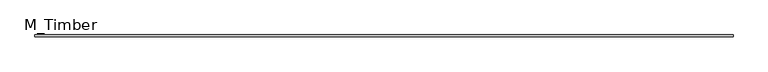
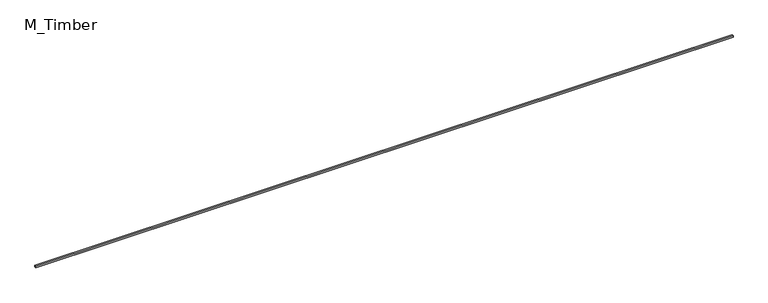
"""IFC4 building model written with IfcOpenShell, lengths in millimetres: beam geometry, M_Timber."""

from ifc_helpers import new_model, si_unit, frame, origin, place, context, project, spatial, polyline, outline, extrude, source, transform, mapped, element, save


def m_timber_b71d6e80(model_context):
    return source(origin(), model_context, "Body", "SweptSolid", [
        extrude(outline(polyline([(8228.0018795, 20.0), (8228.0018795, -20.0), (-8228.0018795, -20.0), (-8228.0018795, 20.0), (8228.0018795, 20.0)])), frame((0.0, 0.0, -20.0), z_axis=(0.0, 0.0, 1.0), x_axis=(1.0, 0.0, 0.0)), (0.0, 0.0, 1.0), 40.0),
    ])


if __name__ == "__main__":
    model = new_model("IFC4")
    model_context = context("Model", 3, world=origin())
    ifc_project = project(units=[si_unit("LENGTHUNIT", "METRE", prefix="MILLI")], contexts=[model_context])
    site = spatial("IfcSite", under=ifc_project)
    building = spatial("IfcBuilding", under=site)
    placement = place(None, origin())
    m_timber_shape = m_timber_b71d6e80(model_context)
    element("IfcBeam", 1, ObjectType="M_Timber", at=placement, inside=building, context=model_context, shape_type="MappedRepresentation", body=[
        mapped(m_timber_shape, transform((0.0, 0.0, 0.0), x_axis=(1.0, 0.0, 0.0), y_axis=(0.0, 1.0, 0.0), z_axis=(0.0, 0.0, 1.0))),
    ])
    save(model, "model.ifc")
